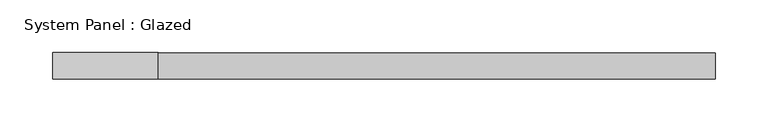
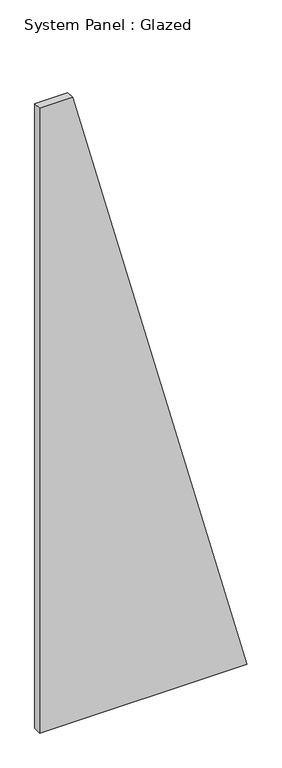
"""IFC4 building model written with IfcOpenShell, lengths in millimetres: plate geometry, System Panel : Glazed."""

from ifc_helpers import new_model, si_unit, frame, origin, place, context, project, spatial, polyline, outline, extrude, source, transform, mapped, element, save


def system_panel_glazed_bdbad8ac(model_context):
    return source(origin(), model_context, "Body", "SweptSolid", [
        extrude(outline(polyline([(0.0, -314.2857141), (0.0, 314.2857141), (2000.0, -214.2857144), (2000.0, -314.2857141), (0.0, -314.2857141)])), frame((0.0, 24.5, 0.0), z_axis=(0.0, 1.0, 0.0), x_axis=(0.0, 0.0, 1.0)), (0.0, 0.0, 1.0), 25.0),
    ])


if __name__ == "__main__":
    model = new_model("IFC4")
    model_context = context("Model", 3, world=origin())
    ifc_project = project(units=[si_unit("LENGTHUNIT", "METRE", prefix="MILLI")], contexts=[model_context])
    site = spatial("IfcSite", under=ifc_project)
    building = spatial("IfcBuilding", under=site)
    placement = place(None, origin())
    system_panel_glazed_shape = system_panel_glazed_bdbad8ac(model_context)
    element("IfcPlate", 1, ObjectType="System Panel : Glazed", at=placement, inside=building, context=model_context, shape_type="MappedRepresentation", body=[
        mapped(system_panel_glazed_shape, transform((0.0, 0.0, 0.0), x_axis=(1.0, 0.0, 0.0), y_axis=(0.0, 1.0, 0.0), z_axis=(0.0, 0.0, 1.0))),
    ])
    save(model, "model.ifc")
